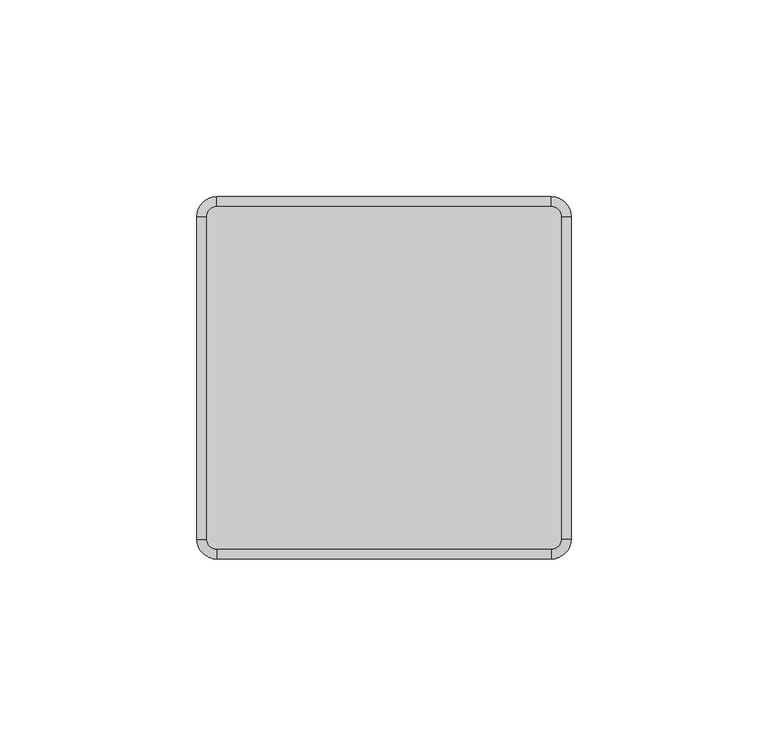
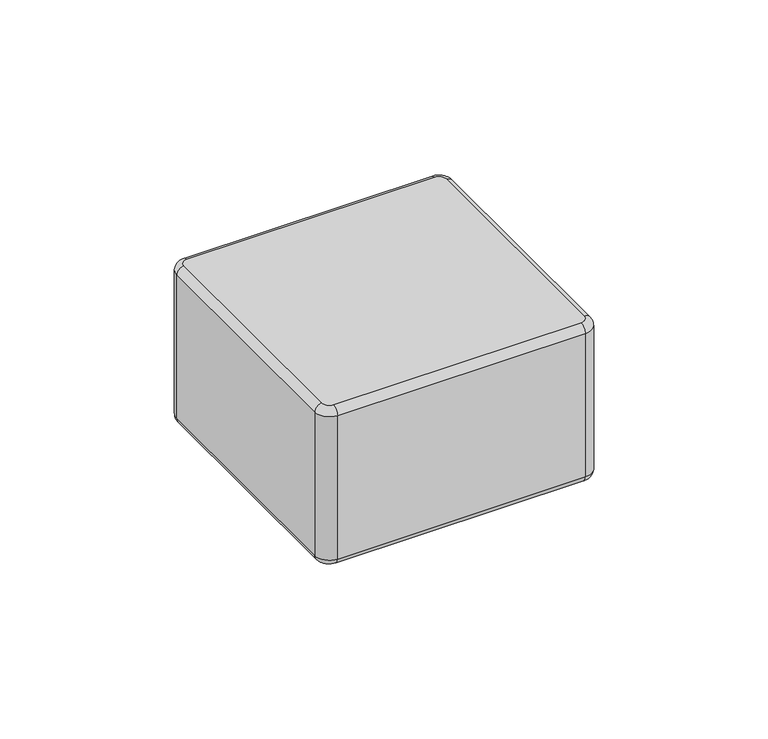
"""IFC4 building model written with IfcOpenShell, lengths in millimetres: plate geometry."""

from ifc_helpers import new_model, si_unit, point, frame, origin, place, context, project, spatial, circle_curve, ellipse_curve, trimmed, source, transform, mapped, element, save
from ifc_brep_helpers import plane_surface, cylinder_surface, revolved_surface, advanced_brep


def plate_b1907792(model_context):
    return source(origin(), model_context, "Body", "AdvancedBrep", [
        advanced_brep(
        [(44.875, 41.0, 57.0), (42.375, 43.5, 57.0), (-42.625, 43.5, 57.0), (-45.125, 41.0, 57.0), (-45.125, -41.0, 57.0), (-42.625, -43.5, 57.0), (42.375, -43.5, 57.0), (44.875, -41.0, 57.0), (-45.125, 41.0, 0.0), (-42.625, 43.5, 0.0), (42.375, 43.5, 0.0), (44.875, 41.0, 0.0), (44.875, -41.0, 0.0), (42.375, -43.5, 0.0), (-42.625, -43.5, 0.0), (-45.125, -41.0, 0.0), (-42.625, -46.0, 2.5), (42.375, -46.0, 2.5), (42.375, -46.0, 54.5), (-42.625, -46.0, 54.5), (47.375, -41.0, 2.5), (47.375, 41.0, 2.5), (47.375, 41.0, 54.5000019), (47.375, -41.0, 54.5), (42.375, 46.0, 2.5), (-42.625, 46.0, 2.5), (-42.625, 46.0, 54.5), (42.375, 46.0, 54.5), (-47.625, 41.0, 2.5), (-47.625, -41.0, 2.5), (-47.625, -41.0, 54.5), (-47.625, 41.0, 54.5)],
        [
            (0, 1, circle_curve(frame((42.375, 41.0, 57.0), z_axis=(0.0, 0.0, 1.0), x_axis=(1.0, 0.0, 0.0)), 2.5)),
            (1, 2),
            (2, 3, circle_curve(frame((-42.625, 41.0, 57.0), z_axis=(0.0, 0.0, 1.0), x_axis=(0.0, 1.0, 0.0)), 2.5)),
            (3, 4),
            (4, 5, circle_curve(frame((-42.625, -41.0, 57.0), z_axis=(0.0, 0.0, 1.0), x_axis=(-1.0, 0.0, 0.0)), 2.5)),
            (5, 6),
            (6, 7, circle_curve(frame((42.375, -41.0, 57.0), z_axis=(0.0, 0.0, 1.0), x_axis=(0.0, -1.0, 0.0)), 2.5)),
            (7, 0),
            (8, 9, circle_curve(frame((-42.625, 41.0, 0.0), z_axis=(0.0, 0.0, -1.0), x_axis=(-1.0, 0.0, 0.0)), 2.5)),
            (9, 10),
            (10, 11, circle_curve(frame((42.375, 41.0, 0.0), z_axis=(0.0, 0.0, -1.0), x_axis=(0.0, 1.0, 0.0)), 2.5)),
            (11, 12),
            (12, 13, circle_curve(frame((42.375, -41.0, 0.0), z_axis=(0.0, 0.0, -1.0), x_axis=(1.0, 0.0, 0.0)), 2.5)),
            (13, 14),
            (14, 15, circle_curve(frame((-42.625, -41.0, 0.0), z_axis=(0.0, 0.0, -1.0), x_axis=(0.0, -1.0, 0.0)), 2.5)),
            (15, 8),
            (16, 17),
            (17, 18),
            (18, 19),
            (19, 16),
            (20, 21),
            (21, 22),
            (22, 23),
            (23, 20),
            (24, 25),
            (25, 26),
            (26, 27),
            (27, 24),
            (28, 29),
            (29, 30),
            (30, 31),
            (31, 28),
            (29, 16, circle_curve(frame((-42.625, -41.0, 2.5), z_axis=(0.0, 0.0, 1.0), x_axis=(1.0, 0.0, 0.0)), 5.0)),
            (19, 30, circle_curve(frame((-42.625, -41.0, 54.5), z_axis=(0.0, 0.0, -1.0), x_axis=(1.0, 0.0, 0.0)), 5.0)),
            (17, 20, circle_curve(frame((42.375, -41.0, 2.5), z_axis=(0.0, 0.0, 1.0), x_axis=(1.0, 0.0, 0.0)), 5.0)),
            (23, 18, circle_curve(frame((42.375, -41.0, 54.5), z_axis=(0.0, 0.0, -1.0), x_axis=(1.0, 0.0, 0.0)), 5.0)),
            (21, 24, circle_curve(frame((42.375, 41.0, 2.5), z_axis=(0.0, 0.0, 1.0), x_axis=(1.0, 0.0, 0.0)), 5.0)),
            (27, 22, circle_curve(frame((42.375, 41.0, 54.5), z_axis=(0.0, 0.0, -1.0), x_axis=(1.0, 0.0, 0.0)), 5.0)),
            (25, 28, circle_curve(frame((-42.625, 41.0, 2.5), z_axis=(0.0, 0.0, 1.0), x_axis=(1.0, 0.0, 0.0)), 5.0)),
            (31, 26, circle_curve(frame((-42.625, 41.0, 54.5), z_axis=(0.0, 0.0, -1.0), x_axis=(1.0, 0.0, 0.0)), 5.0)),
            (25, 9, circle_curve(frame((-42.625, 43.5, 2.5), z_axis=(-1.0, 0.0, 0.0), x_axis=(0.0, -1.0, 0.0)), 2.5)),
            (8, 28, circle_curve(frame((-45.125, 41.0, 2.5), z_axis=(0.0, 1.0, 0.0), x_axis=(1.0, 0.0, 0.0)), 2.5)),
            (24, 10, circle_curve(frame((42.375, 43.5, 2.5), z_axis=(-1.0, 0.0, 0.0), x_axis=(0.0, -1.0, 0.0)), 2.5)),
            (21, 11, circle_curve(frame((44.875, 41.0, 2.5), z_axis=(0.0, 1.0, 0.0), x_axis=(-1.0, 0.0, 0.0)), 2.5)),
            (20, 12, circle_curve(frame((44.875, -41.0, 2.5), z_axis=(0.0, 1.0, 0.0), x_axis=(-1.0, 0.0, 0.0)), 2.5)),
            (17, 13, circle_curve(frame((42.375, -43.5, 2.5), z_axis=(1.0, 0.0, 0.0), x_axis=(0.0, 1.0, 0.0)), 2.5)),
            (16, 14, circle_curve(frame((-42.625, -43.5, 2.5), z_axis=(1.0, 0.0, 0.0), x_axis=(0.0, 1.0, 0.0)), 2.5)),
            (29, 15, circle_curve(frame((-45.125, -41.0, 2.5), z_axis=(0.0, -1.0, 0.0), x_axis=(1.0, 0.0, 0.0)), 2.5)),
            (27, 1, circle_curve(frame((42.375, 43.5, 54.5), z_axis=(1.0, 0.0, 0.0), x_axis=(0.0, -1.0, 0.0)), 2.5)),
            (0, 22, circle_curve(frame((44.875, 41.0, 54.5), z_axis=(0.0, 1.0, 0.0), x_axis=(-1.0, 0.0, 0.0)), 2.5)),
            (26, 2, circle_curve(frame((-42.625, 43.5, 54.5), z_axis=(1.0, 0.0, 0.0), x_axis=(0.0, -1.0, 0.0)), 2.5)),
            (31, 3, circle_curve(frame((-45.125, 41.0, 54.5), z_axis=(0.0, 1.0, 0.0), x_axis=(1.0, 0.0, 0.0)), 2.5)),
            (30, 4, circle_curve(frame((-45.125, -41.0, 54.5), z_axis=(0.0, 1.0, 0.0), x_axis=(1.0, 0.0, 0.0)), 2.5)),
            (19, 5, circle_curve(frame((-42.625, -43.5, 54.5), z_axis=(-1.0, 0.0, 0.0), x_axis=(0.0, 1.0, 0.0)), 2.5)),
            (18, 6, circle_curve(frame((42.375, -43.5, 54.5), z_axis=(-1.0, 0.0, 0.0), x_axis=(0.0, 1.0, 0.0)), 2.5)),
            (23, 7, circle_curve(frame((44.875, -41.0, 54.5), z_axis=(0.0, -1.0, 0.0), x_axis=(-1.0, 0.0, 0.0)), 2.5)),
        ],
        [
            plane_surface(frame((-37.625, -41.0, 57.0), z_axis=(0.0, 0.0, 1.0), x_axis=(0.0, 1.0, 0.0))),
            plane_surface(frame((-37.625, -41.0, 0.0), z_axis=(0.0, 0.0, -1.0), x_axis=(0.0, -1.0, 0.0))),
            plane_surface(frame((-42.625, -46.0, 57.0), z_axis=(0.0, -1.0, 0.0), x_axis=(0.0, 0.0, -1.0))),
            plane_surface(frame((47.375, -41.0, 57.0), z_axis=(1.0, 0.0, 0.0), x_axis=(0.0, 0.0, -1.0))),
            plane_surface(frame((42.375, 46.0, 57.0), z_axis=(0.0, 1.0, 0.0), x_axis=(0.0, 0.0, -1.0))),
            plane_surface(frame((-47.625, 41.0, 57.0), z_axis=(-1.0, 0.0, 0.0), x_axis=(0.0, 0.0, -1.0))),
            cylinder_surface(frame((-42.625, -41.0, 0.0), z_axis=(0.0, 0.0, 1.0), x_axis=(1.0, 0.0, 0.0)), 5.0),
            cylinder_surface(frame((42.375, -41.0, 0.0), z_axis=(0.0, 0.0, 1.0), x_axis=(1.0, 0.0, 0.0)), 5.0),
            cylinder_surface(frame((42.375, 41.0, 0.0), z_axis=(0.0, 0.0, 1.0), x_axis=(1.0, 0.0, 0.0)), 5.0),
            cylinder_surface(frame((-42.625, 41.0, 0.0), z_axis=(0.0, 0.0, 1.0), x_axis=(1.0, 0.0, 0.0)), 5.0),
            revolved_surface(trimmed(ellipse_curve(frame((-45.125, 41.0, 2.5), z_axis=(0.0, -1.0, 0.0), x_axis=(1.0, 0.0, 0.0)), 2.5, 2.5), [point((-47.625, 41.0, 2.5))], [point((-45.125, 41.0, 0.0))], True, "CARTESIAN"), (-42.625, 41.0, 0.0), (0.0, 0.0, -1.0)),
            cylinder_surface(frame((-42.625, 43.5, 2.5), z_axis=(1.0, 0.0, 0.0), x_axis=(0.0, -1.0, 0.0)), 2.5),
            revolved_surface(trimmed(ellipse_curve(frame((42.375, 43.5, 2.5), z_axis=(-1.0, 0.0, 0.0), x_axis=(0.0, -1.0, 0.0)), 2.5, 2.5), [point((42.375, 46.0, 2.5))], [point((42.375, 43.5, 0.0))], True, "CARTESIAN"), (42.375, 41.0, 0.0), (0.0, 0.0, -1.0)),
            cylinder_surface(frame((44.875, 41.0, 2.5), z_axis=(0.0, -1.0, 0.0), x_axis=(-1.0, 0.0, 0.0)), 2.5),
            revolved_surface(trimmed(ellipse_curve(frame((44.875, -41.0, 2.5), z_axis=(0.0, 1.0, 0.0), x_axis=(-1.0, 0.0, 0.0)), 2.5, 2.5), [point((47.375, -41.0, 2.5))], [point((44.875, -41.0, 0.0))], True, "CARTESIAN"), (42.375, -41.0, 0.0), (0.0, 0.0, -1.0)),
            cylinder_surface(frame((42.375, -43.5, 2.5), z_axis=(-1.0, 0.0, 0.0), x_axis=(0.0, 1.0, 0.0)), 2.5),
            revolved_surface(trimmed(ellipse_curve(frame((-42.625, -43.5, 2.5), z_axis=(1.0, 0.0, 0.0), x_axis=(0.0, 1.0, 0.0)), 2.5, 2.5), [point((-42.625, -46.0, 2.5))], [point((-42.625, -43.5, 0.0))], True, "CARTESIAN"), (-42.625, -41.0, 0.0), (0.0, 0.0, -1.0)),
            cylinder_surface(frame((-45.125, -41.0, 2.5), z_axis=(0.0, 1.0, 0.0), x_axis=(1.0, 0.0, 0.0)), 2.5),
            revolved_surface(trimmed(ellipse_curve(frame((44.875, 41.0, 54.5), z_axis=(0.0, -1.0, 0.0), x_axis=(-1.0, 0.0, 0.0)), 2.5, 2.5), [point((47.375, 41.0, 54.5))], [point((44.875, 41.0, 57.0))], True, "CARTESIAN"), (42.375, 41.0, 57.0), (0.0, 0.0, 1.0)),
            cylinder_surface(frame((42.375, 43.5, 54.5), z_axis=(-1.0, 0.0, 0.0), x_axis=(0.0, -1.0, 0.0)), 2.5),
            revolved_surface(trimmed(ellipse_curve(frame((-42.625, 43.5, 54.5), z_axis=(1.0, 0.0, 0.0), x_axis=(0.0, -1.0, 0.0)), 2.5, 2.5), [point((-42.625, 46.0, 54.5))], [point((-42.625, 43.5, 57.0))], True, "CARTESIAN"), (-42.625, 41.0, 57.0), (0.0, 0.0, 1.0)),
            cylinder_surface(frame((-45.125, 41.0, 54.5), z_axis=(0.0, -1.0, 0.0), x_axis=(1.0, 0.0, 0.0)), 2.5),
            revolved_surface(trimmed(ellipse_curve(frame((-45.125, -41.0, 54.5), z_axis=(0.0, 1.0, 0.0), x_axis=(1.0, 0.0, 0.0)), 2.5, 2.5), [point((-47.625, -41.0, 54.5))], [point((-45.125, -41.0, 57.0))], True, "CARTESIAN"), (-42.625, -41.0, 57.0), (0.0, 0.0, 1.0)),
            cylinder_surface(frame((-42.625, -43.5, 54.5), z_axis=(1.0, 0.0, 0.0), x_axis=(0.0, 1.0, 0.0)), 2.5),
            revolved_surface(trimmed(ellipse_curve(frame((42.375, -43.5, 54.5), z_axis=(-1.0, 0.0, 0.0), x_axis=(0.0, 1.0, 0.0)), 2.5, 2.5), [point((42.375, -46.0, 54.5))], [point((42.375, -43.5, 57.0))], True, "CARTESIAN"), (42.375, -41.0, 57.0), (0.0, 0.0, 1.0)),
            cylinder_surface(frame((44.875, -41.0, 54.5), z_axis=(0.0, 1.0, 0.0), x_axis=(-1.0, 0.0, 0.0)), 2.5),
        ],
        [
            (0, [[1, 2, 3, 4, 5, 6, 7, 8]]),
            (1, [[9, 10, 11, 12, 13, 14, 15, 16]]),
            (2, [[17, 18, 19, 20]]),
            (3, [[21, 22, 23, 24]]),
            (4, [[25, 26, 27, 28]]),
            (5, [[29, 30, 31, 32]]),
            (6, [[33, -20, 34, -30]]),
            (7, [[35, -24, 36, -18]]),
            (8, [[37, -28, 38, -22]]),
            (9, [[39, -32, 40, -26]]),
            (10, [[41, -9, 42, -39]]),
            (11, [[-41, -25, 43, -10]]),
            (12, [[-43, -37, 44, -11]]),
            (13, [[-44, -21, 45, -12]]),
            (14, [[-45, -35, 46, -13]]),
            (15, [[-46, -17, 47, -14]]),
            (16, [[-47, -33, 48, -15]]),
            (17, [[-42, -16, -48, -29]]),
            (18, [[49, -1, 50, -38]]),
            (19, [[-49, -27, 51, -2]]),
            (20, [[-51, -40, 52, -3]]),
            (21, [[-52, -31, 53, -4]]),
            (22, [[-53, -34, 54, -5]]),
            (23, [[-54, -19, 55, -6]]),
            (24, [[-55, -36, 56, -7]]),
            (25, [[-50, -8, -56, -23]]),
        ],
    ),
    ])


if __name__ == "__main__":
    model = new_model("IFC4")
    model_context = context("Model", 3, world=origin())
    ifc_project = project(units=[si_unit("LENGTHUNIT", "METRE", prefix="MILLI")], contexts=[model_context])
    site = spatial("IfcSite", under=ifc_project)
    building = spatial("IfcBuilding", under=site)
    placement = place(None, origin())
    plate_shape = plate_b1907792(model_context)
    element("IfcPlate", 1, at=placement, inside=building, context=model_context, shape_type="MappedRepresentation", body=[
        mapped(plate_shape, transform((0.0, 0.0, 0.0), x_axis=(1.0, 0.0, 0.0), y_axis=(0.0, 1.0, 0.0), z_axis=(0.0, 0.0, 1.0))),
    ])
    save(model, "model.ifc")
